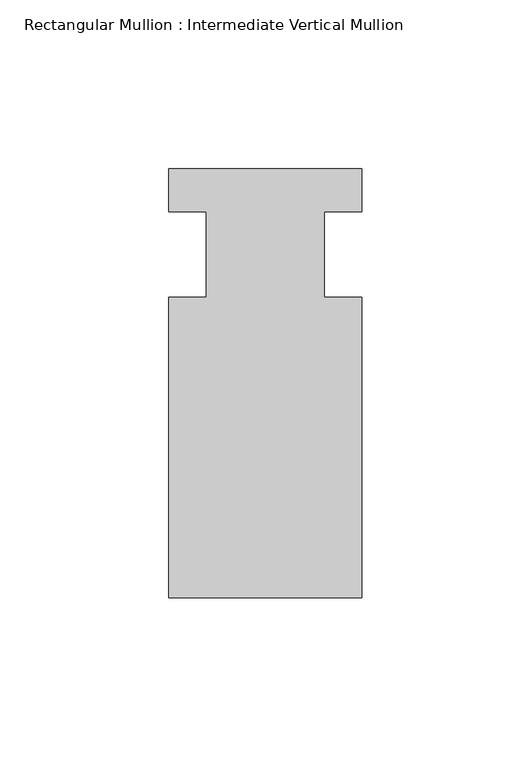
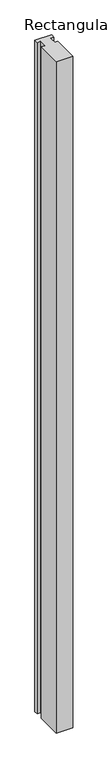
"""IFC4 building model written with IfcOpenShell, lengths in millimetres: member geometry, Rectangular Mullion : Intermediate Vertical Mullion."""

from ifc_helpers import new_model, si_unit, frame, origin, place, context, project, spatial, polyline, outline, extrude, source, transform, mapped, element, save


def rectangular_mullion_intermediate_vertical_mullion_89a31625(model_context):
    return source(origin(), model_context, "Body", "SweptSolid", [
        extrude(outline(polyline([(28.5993716, -101.6075892), (-28.575, -101.6075892), (-28.575, -12.649478), (-17.4761827, -12.649478), (-17.4761827, 12.750522), (-28.575, 12.750522), (-28.575, 25.4), (28.5993716, 25.4), (28.5993716, 12.750522), (17.4751543, 12.750522), (17.4751543, -12.649478), (28.5993716, -12.649478), (28.5993716, -101.6075892)])), frame((0.0, 0.0, -2438.4), z_axis=(0.0, 0.0, 1.0), x_axis=(1.0, 0.0, 0.0)), (0.0, 0.0, 1.0), 2438.4),
    ])


if __name__ == "__main__":
    model = new_model("IFC4")
    model_context = context("Model", 3, world=origin())
    ifc_project = project(units=[si_unit("LENGTHUNIT", "METRE", prefix="MILLI")], contexts=[model_context])
    site = spatial("IfcSite", under=ifc_project)
    building = spatial("IfcBuilding", under=site)
    placement = place(None, origin())
    rectangular_mullion_intermediate_vertical_mullion_shape = rectangular_mullion_intermediate_vertical_mullion_89a31625(model_context)
    element("IfcMember", 1, ObjectType="Rectangular Mullion : Intermediate Vertical Mullion", at=placement, inside=building, context=model_context, shape_type="MappedRepresentation", body=[
        mapped(rectangular_mullion_intermediate_vertical_mullion_shape, transform((0.0, 0.0, 0.0), x_axis=(1.0, 0.0, 0.0), y_axis=(0.0, 1.0, 0.0), z_axis=(0.0, 0.0, 1.0))),
    ])
    save(model, "model.ifc")
